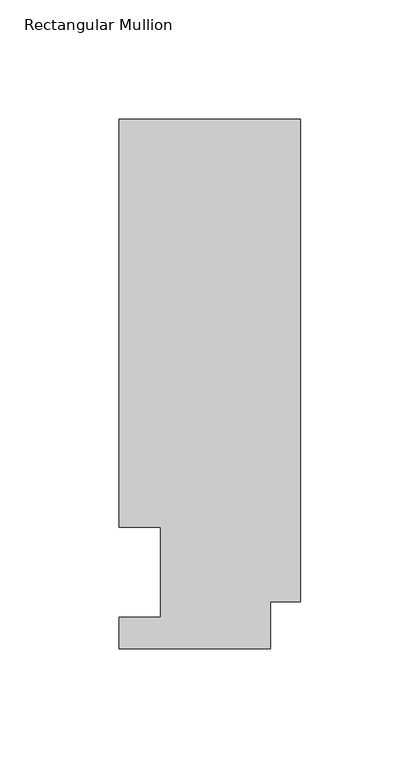
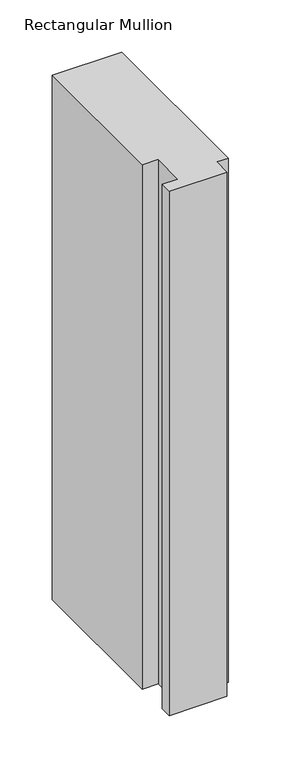
"""IFC4 building model written with IfcOpenShell, lengths in millimetres: member geometry, Rectangular Mullion."""

from ifc_helpers import new_model, si_unit, frame, origin, place, context, project, spatial, polyline, outline, extrude, source, transform, mapped, element, save


def rectangular_mullion_439c56c0(model_context):
    return source(origin(), model_context, "Body", "SweptSolid", [
        extrude(outline(polyline([(0.0, 222.0301313), (0.0, 19.5667312), (-12.6999999, 19.5667312), (-12.6999999, 0.041758), (-76.1999999, 0.041758), (-76.1999999, 13.224358), (-58.7501996, 13.224358), (-58.7501996, 50.820278), (-76.2, 50.820278), (-76.2, 222.0301313), (0.0, 222.0301313)])), frame((0.0, 0.0, -609.6), z_axis=(0.0, 0.0, 1.0), x_axis=(1.0, 0.0, 0.0)), (0.0, 0.0, 1.0), 609.6),
    ])


if __name__ == "__main__":
    model = new_model("IFC4")
    model_context = context("Model", 3, world=origin())
    ifc_project = project(units=[si_unit("LENGTHUNIT", "METRE", prefix="MILLI")], contexts=[model_context])
    site = spatial("IfcSite", under=ifc_project)
    building = spatial("IfcBuilding", under=site)
    placement = place(None, origin())
    rectangular_mullion_shape = rectangular_mullion_439c56c0(model_context)
    element("IfcMember", 1, ObjectType="Rectangular Mullion", at=placement, inside=building, context=model_context, shape_type="MappedRepresentation", body=[
        mapped(rectangular_mullion_shape, transform((0.0, 0.0, 0.0), x_axis=(1.0, 0.0, 0.0), y_axis=(0.0, 1.0, 0.0), z_axis=(0.0, 0.0, 1.0))),
    ])
    save(model, "model.ifc")
